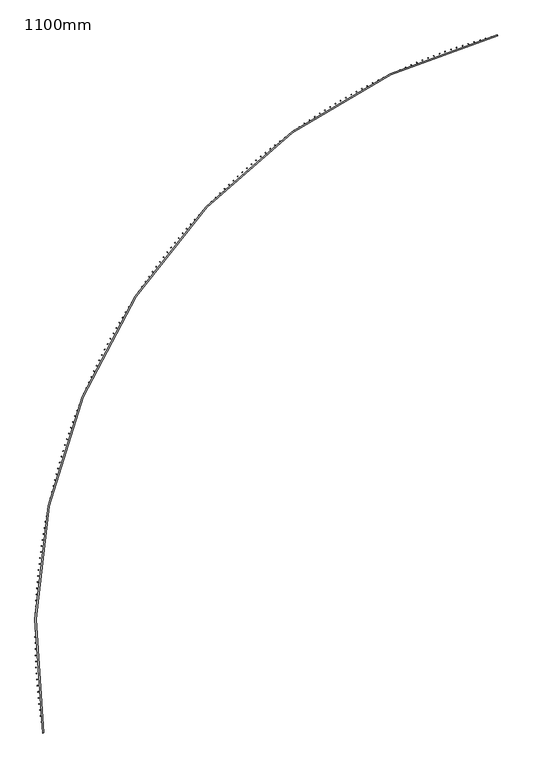
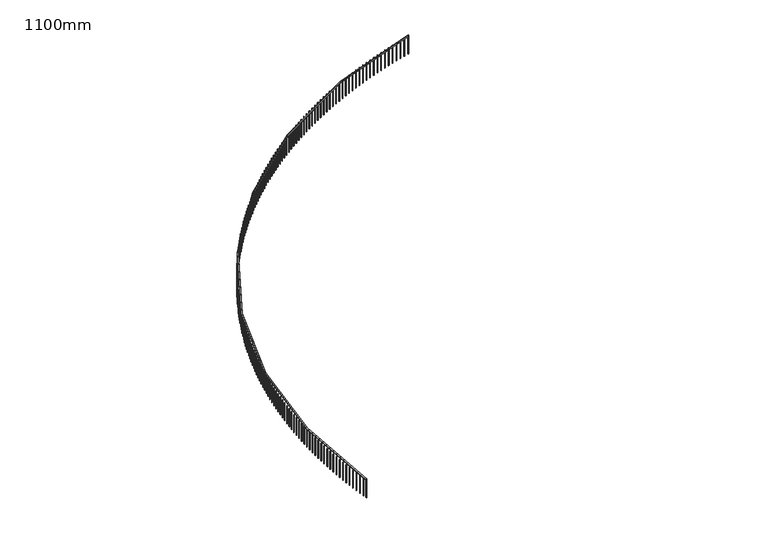
"""IFC4 building model written with IfcOpenShell, lengths in millimetres: railing geometry, 1100mm."""

from ifc_helpers import new_model, si_unit, point, frame, frame_2d, origin, place, context, project, spatial, polyline, circle_curve, trimmed, segment, composite_curve, outline, extrude, source, transform, mapped, element, save


def railing_1100mm_b874fabe(model_context):
    return source(origin(), model_context, "Body", "SweptSolid", [
        extrude(outline(composite_curve([segment(trimmed(circle_curve(frame_2d((-8776.2169486, -53857.0322819)), 27971.5412014), [point((-36394.0287338, -58291.3968787))], [point((-15853.428822, -26795.6171438))], False, "CARTESIAN"), True, "CONTINUOUS"), segment(polyline([(-15853.428822, -26795.6171438), (-15840.7780857, -26843.9902651)]), True, "CONTINUOUS"), segment(trimmed(circle_curve(frame_2d((-8776.2169486, -53857.0322819)), 27921.5412014), [point((-15840.7780857, -26843.9902651))], [point((-36344.6610361, -58283.4703141))], True, "CARTESIAN"), True, "CONTINUOUS"), segment(polyline([(-36344.6610361, -58283.4703141), (-36394.0287338, -58291.3968787)]), True, "CONTINUOUS")], self_intersect=False)), frame((0.0, 0.0, 32050.0), z_axis=(0.0, 0.0, 1.0), x_axis=(1.0, 0.0, 0.0)), (0.0, 0.0, 1.0), 50.0),
        extrude(outline(polyline([(-36418.1953524, -58055.742926), (-36393.4805423, -58051.9775357), (-36389.7151521, -58076.6923458), (-36414.4299622, -58080.4577361), (-36418.1953524, -58055.742926)])), frame((0.0, 0.0, 31000.0), z_axis=(0.0, 0.0, 1.0), x_axis=(1.0, 0.0, 0.0)), (0.0, 0.0, 1.0), 1050.0),
        extrude(outline(polyline([(-36458.1726315, -57783.5410007), (-36433.4219663, -57780.0189879), (-36429.8999535, -57804.7696531), (-36454.6506187, -57808.2916659), (-36458.1726315, -57783.5410007)])), frame((0.0, 0.0, 31000.0), z_axis=(0.0, 0.0, 1.0), x_axis=(1.0, 0.0, 0.0)), (0.0, 0.0, 1.0), 1050.0),
        extrude(outline(polyline([(-36495.4694926, -57510.9588753), (-36470.685369, -57507.6805809), (-36467.4070746, -57532.4647046), (-36492.1911983, -57535.7429989), (-36495.4694926, -57510.9588753)])), frame((0.0, 0.0, 31000.0), z_axis=(0.0, 0.0, 1.0), x_axis=(1.0, 0.0, 0.0)), (0.0, 0.0, 1.0), 1050.0),
        extrude(outline(polyline([(-36530.0823244, -57238.0229435), (-36505.267142, -57234.9886851), (-36502.2328836, -57259.8038674), (-36527.0480659, -57262.8381258), (-36530.0823244, -57238.0229435)])), frame((0.0, 0.0, 31000.0), z_axis=(0.0, 0.0, 1.0), x_axis=(1.0, 0.0, 0.0)), (0.0, 0.0, 1.0), 1050.0),
        extrude(outline(polyline([(-36562.0077752, -56964.7596335), (-36537.1639369, -56961.9697048), (-36534.3740082, -56986.8135431), (-36559.2178464, -56989.6034718), (-36562.0077752, -56964.7596335)])), frame((0.0, 0.0, 31000.0), z_axis=(0.0, 0.0, 1.0), x_axis=(1.0, 0.0, 0.0)), (0.0, 0.0, 1.0), 1050.0),
        extrude(outline(polyline([(-36591.2427537, -56691.1954053), (-36566.3726652, -56688.6500764), (-36563.8273364, -56713.5201649), (-36588.6974249, -56716.0654937), (-36591.2427537, -56691.1954053)])), frame((0.0, 0.0, 31000.0), z_axis=(0.0, 0.0, 1.0), x_axis=(1.0, 0.0, 0.0)), (0.0, 0.0, 1.0), 1050.0),
        extrude(outline(polyline([(-36617.7844292, -56417.3567476), (-36592.8904987, -56415.0562651), (-36590.5900161, -56439.9501957), (-36615.4839467, -56442.2506782), (-36617.7844292, -56417.3567476)])), frame((0.0, 0.0, 31000.0), z_axis=(0.0, 0.0, 1.0), x_axis=(1.0, 0.0, 0.0)), (0.0, 0.0, 1.0), 1050.0),
        extrude(outline(polyline([(-36641.6302317, -56143.2701761), (-36616.7148695, -56141.2147626), (-36614.659456, -56166.1301249), (-36639.5748183, -56168.1855383), (-36641.6302317, -56143.2701761)])), frame((0.0, 0.0, 31000.0), z_axis=(0.0, 0.0, 1.0), x_axis=(1.0, 0.0, 0.0)), (0.0, 0.0, 1.0), 1050.0),
        extrude(outline(polyline([(-36662.7778522, -55868.9622303), (-36637.8434709, -55867.152085), (-36636.0333255, -55892.0864663), (-36660.9677069, -55893.8966117), (-36662.7778522, -55868.9622303)])), frame((0.0, 0.0, 31000.0), z_axis=(0.0, 0.0, 1.0), x_axis=(1.0, 0.0, 0.0)), (0.0, 0.0, 1.0), 1050.0),
        extrude(outline(polyline([(-36681.225243, -55594.4594712), (-36656.2742569, -55592.8947693), (-36654.7095549, -55617.8457554), (-36679.660541, -55619.4104573), (-36681.225243, -55594.4594712)])), frame((0.0, 0.0, 31000.0), z_axis=(0.0, 0.0, 1.0), x_axis=(1.0, 0.0, 0.0)), (0.0, 0.0, 1.0), 1050.0),
        extrude(outline(polyline([(-36696.9706178, -55319.7884787), (-36672.005443, -55318.4693716), (-36670.6863359, -55343.4345465), (-36695.6515107, -55344.7536536), (-36696.9706178, -55319.7884787)])), frame((0.0, 0.0, 31000.0), z_axis=(0.0, 0.0, 1.0), x_axis=(1.0, 0.0, 0.0)), (0.0, 0.0, 1.0), 1050.0),
        extrude(outline(polyline([(-36710.0124521, -55044.9758488), (-36685.0355058, -55043.9024644), (-36683.9621213, -55068.8794106), (-36708.9390676, -55069.9527951), (-36710.0124521, -55044.9758488)])), frame((0.0, 0.0, 31000.0), z_axis=(0.0, 0.0, 1.0), x_axis=(1.0, 0.0, 0.0)), (0.0, 0.0, 1.0), 1050.0),
        extrude(outline(polyline([(-36720.349483, -54770.0481915), (-36695.3631838, -54769.2206336), (-36694.5356258, -54794.2069328), (-36719.521925, -54795.0344907), (-36720.349483, -54770.0481915)])), frame((0.0, 0.0, 31000.0), z_axis=(0.0, 0.0, 1.0), x_axis=(1.0, 0.0, 0.0)), (0.0, 0.0, 1.0), 1050.0),
        extrude(outline(polyline([(-36727.9807095, -54495.0321277), (-36702.9874768, -54494.4504765), (-36702.4058255, -54519.4437092), (-36727.3990583, -54520.0253604), (-36727.9807095, -54495.0321277)])), frame((0.0, 0.0, 31000.0), z_axis=(0.0, 0.0, 1.0), x_axis=(1.0, 0.0, 0.0)), (0.0, 0.0, 1.0), 1050.0),
        extrude(outline(polyline([(-36732.9053928, -54219.954287), (-36707.9076467, -54219.6185987), (-36707.5719584, -54244.6163449), (-36732.5697046, -54244.9520331), (-36732.9053928, -54219.954287)])), frame((0.0, 0.0, 31000.0), z_axis=(0.0, 0.0, 1.0), x_axis=(1.0, 0.0, 0.0)), (0.0, 0.0, 1.0), 1050.0),
        extrude(outline(polyline([(-36735.123056, -53944.8413048), (-36710.1232169, -53944.7516121), (-36710.0335242, -53969.7514512), (-36735.0333633, -53969.8411439), (-36735.123056, -53944.8413048)])), frame((0.0, 0.0, 31000.0), z_axis=(0.0, 0.0, 1.0), x_axis=(1.0, 0.0, 0.0)), (0.0, 0.0, 1.0), 1050.0),
        extrude(outline(polyline([(-36734.6334844, -53669.7198202), (-36709.6339731, -53669.8761317), (-36709.7902845, -53694.875643), (-36734.7897959, -53694.7193316), (-36734.6334844, -53669.7198202)])), frame((0.0, 0.0, 31000.0), z_axis=(0.0, 0.0, 1.0), x_axis=(1.0, 0.0, 0.0)), (0.0, 0.0, 1.0), 1050.0),
        extrude(outline(polyline([(-36731.4367254, -53394.6164729), (-36706.4399625, -53395.0187734), (-36706.842263, -53420.0155363), (-36731.8390259, -53419.6132358), (-36731.4367254, -53394.6164729)])), frame((0.0, 0.0, 31000.0), z_axis=(0.0, 0.0, 1.0), x_axis=(1.0, 0.0, 0.0)), (0.0, 0.0, 1.0), 1050.0),
        extrude(outline(polyline([(-36725.5330885, -53119.5579009), (-36700.5414945, -53120.2061515), (-36701.189745, -53145.1977455), (-36726.181339, -53144.5494949), (-36725.5330885, -53119.5579009)])), frame((0.0, 0.0, 31000.0), z_axis=(0.0, 0.0, 1.0), x_axis=(1.0, 0.0, 0.0)), (0.0, 0.0, 1.0), 1050.0),
        extrude(outline(polyline([(-36716.9231453, -52844.5707378), (-36691.9391401, -52845.4648758), (-36692.833278, -52870.448881), (-36717.8172832, -52869.5547431), (-36716.9231453, -52844.5707378)])), frame((0.0, 0.0, 31000.0), z_axis=(0.0, 0.0, 1.0), x_axis=(1.0, 0.0, 0.0)), (0.0, 0.0, 1.0), 1050.0),
        extrude(outline(polyline([(-36705.6077296, -52569.6816105), (-36680.6337323, -52570.8215491), (-36681.773671, -52595.7955464), (-36706.7476683, -52594.6556078), (-36705.6077296, -52569.6816105)])), frame((0.0, 0.0, 31000.0), z_axis=(0.0, 0.0, 1.0), x_axis=(1.0, 0.0, 0.0)), (0.0, 0.0, 1.0), 1050.0),
        extrude(outline(polyline([(-36691.587937, -52294.9171361), (-36666.6263659, -52296.3027651), (-36668.0119949, -52321.2643362), (-36692.973566, -52319.8787072), (-36691.587937, -52294.9171361)])), frame((0.0, 0.0, 31000.0), z_axis=(0.0, 0.0, 1.0), x_axis=(1.0, 0.0, 0.0)), (0.0, 0.0, 1.0), 1050.0),
        extrude(outline(polyline([(-36674.865125, -52020.3039199), (-36649.9183971, -52021.9351051), (-36651.5495823, -52046.881833), (-36676.4963103, -52045.2506478), (-36674.865125, -52020.3039199)])), frame((0.0, 0.0, 31000.0), z_axis=(0.0, 0.0, 1.0), x_axis=(1.0, 0.0, 0.0)), (0.0, 0.0, 1.0), 1050.0),
        extrude(outline(polyline([(-36655.440913, -51745.8685523), (-36630.5114438, -51747.7451358), (-36632.3880273, -51772.674605), (-36657.3174965, -51770.7980215), (-36655.440913, -51745.8685523)])), frame((0.0, 0.0, 31000.0), z_axis=(0.0, 0.0, 1.0), x_axis=(1.0, 0.0, 0.0)), (0.0, 0.0, 1.0), 1050.0),
        extrude(outline(polyline([(-36633.3171816, -51471.6376068), (-36608.4073851, -51473.7594068), (-36610.5291851, -51498.6692034), (-36635.4389817, -51496.5474034), (-36633.3171816, -51471.6376068)])), frame((0.0, 0.0, 31000.0), z_axis=(0.0, 0.0, 1.0), x_axis=(1.0, 0.0, 0.0)), (0.0, 0.0, 1.0), 1050.0),
        extrude(outline(polyline([(-36608.4960732, -51197.6376368), (-36583.6083613, -51200.004448), (-36585.9751724, -51224.8921599), (-36610.8628843, -51222.5253488), (-36608.4960732, -51197.6376368)])), frame((0.0, 0.0, 31000.0), z_axis=(0.0, 0.0, 1.0), x_axis=(1.0, 0.0, 0.0)), (0.0, 0.0, 1.0), 1050.0),
        extrude(outline(polyline([(-36580.9799912, -50923.8951736), (-36556.1167737, -50926.5067666), (-36558.7283668, -50951.3699841), (-36583.5915842, -50948.758391), (-36580.9799912, -50923.8951736)])), frame((0.0, 0.0, 31000.0), z_axis=(0.0, 0.0, 1.0), x_axis=(1.0, 0.0, 0.0)), (0.0, 0.0, 1.0), 1050.0),
        extrude(outline(polyline([(-36550.7715998, -50650.4367232), (-36525.9352843, -50653.2928453), (-36528.7914064, -50678.1291608), (-36553.6277219, -50675.2730387), (-36550.7715998, -50650.4367232)])), frame((0.0, 0.0, 31000.0), z_axis=(0.0, 0.0, 1.0), x_axis=(1.0, 0.0, 0.0)), (0.0, 0.0, 1.0), 1050.0),
        extrude(outline(polyline([(-36517.8738242, -50377.2887645), (-36493.0668155, -50380.3891391), (-36496.1671901, -50405.1961478), (-36520.9741988, -50402.0957732), (-36517.8738242, -50377.2887645)])), frame((0.0, 0.0, 31000.0), z_axis=(0.0, 0.0, 1.0), x_axis=(1.0, 0.0, 0.0)), (0.0, 0.0, 1.0), 1050.0),
        extrude(outline(polyline([(-36482.2898498, -50104.4777462), (-36457.51455, -50107.822073), (-36460.8588769, -50132.5973728), (-36485.6341766, -50129.2530459), (-36482.2898498, -50104.4777462)])), frame((0.0, 0.0, 31000.0), z_axis=(0.0, 0.0, 1.0), x_axis=(1.0, 0.0, 0.0)), (0.0, 0.0, 1.0), 1050.0),
        extrude(outline(polyline([(-36444.0231222, -49832.0300842), (-36419.2819303, -49835.6180395), (-36422.8698856, -49860.3592314), (-36447.6110775, -49856.7712761), (-36444.0231222, -49832.0300842)])), frame((0.0, 0.0, 31000.0), z_axis=(0.0, 0.0, 1.0), x_axis=(1.0, 0.0, 0.0)), (0.0, 0.0, 1.0), 1050.0),
        extrude(outline(polyline([(-36403.0773466, -49559.9721594), (-36378.3726583, -49563.8033957), (-36382.2038946, -49588.5080841), (-36406.908583, -49584.6768478), (-36403.0773466, -49559.9721594)])), frame((0.0, 0.0, 31000.0), z_axis=(0.0, 0.0, 1.0), x_axis=(1.0, 0.0, 0.0)), (0.0, 0.0, 1.0), 1050.0),
        extrude(outline(polyline([(-36359.456488, -49288.330315), (-36334.7906952, -49292.4044614), (-36338.8648416, -49317.0702541), (-36363.5306344, -49312.9961077), (-36359.456488, -49288.330315)])), frame((0.0, 0.0, 31000.0), z_axis=(0.0, 0.0, 1.0), x_axis=(1.0, 0.0, 0.0)), (0.0, 0.0, 1.0), 1050.0),
        extrude(outline(polyline([(-36313.1647699, -49017.1308537), (-36288.5402612, -49021.4475156), (-36292.8569232, -49046.0720243), (-36317.4814319, -49041.7553624), (-36313.1647699, -49017.1308537)])), frame((0.0, 0.0, 31000.0), z_axis=(0.0, 0.0, 1.0), x_axis=(1.0, 0.0, 0.0)), (0.0, 0.0, 1.0), 1050.0),
        extrude(outline(polyline([(-36264.2066749, -48746.4000355), (-36239.6258345, -48750.958795), (-36244.1845941, -48775.5396354), (-36268.7654344, -48770.9808758), (-36264.2066749, -48746.4000355)])), frame((0.0, 0.0, 31000.0), z_axis=(0.0, 0.0, 1.0), x_axis=(1.0, 0.0, 0.0)), (0.0, 0.0, 1.0), 1050.0),
        extrude(outline(polyline([(-36212.5869434, -48476.1640751), (-36188.0521516, -48480.9644908), (-36192.8525673, -48505.4992826), (-36217.3873591, -48500.6988669), (-36212.5869434, -48476.1640751)])), frame((0.0, 0.0, 31000.0), z_axis=(0.0, 0.0, 1.0), x_axis=(1.0, 0.0, 0.0)), (0.0, 0.0, 1.0), 1050.0),
        extrude(outline(polyline([(-36158.3105737, -48206.4491392), (-36133.8242061, -48211.4907462), (-36138.8658132, -48235.9771138), (-36163.3521808, -48230.9355068), (-36158.3105737, -48206.4491392)])), frame((0.0, 0.0, 31000.0), z_axis=(0.0, 0.0, 1.0), x_axis=(1.0, 0.0, 0.0)), (0.0, 0.0, 1.0), 1050.0),
        extrude(outline(polyline([(-36101.3828215, -47937.2813439), (-36076.9472491, -47942.5636541), (-36082.2295593, -47966.9992265), (-36106.6651317, -47961.7169163), (-36101.3828215, -47937.2813439)])), frame((0.0, 0.0, 31000.0), z_axis=(0.0, 0.0, 1.0), x_axis=(1.0, 0.0, 0.0)), (0.0, 0.0, 1.0), 1050.0),
        extrude(outline(polyline([(-36041.8091989, -47668.6867527), (-36017.4267878, -47674.2092546), (-36022.9492897, -47698.5916657), (-36047.3317008, -47693.0691638), (-36041.8091989, -47668.6867527)])), frame((0.0, 0.0, 31000.0), z_axis=(0.0, 0.0, 1.0), x_axis=(1.0, 0.0, 0.0)), (0.0, 0.0, 1.0), 1050.0),
        extrude(outline(polyline([(-35979.5954744, -47400.6913731), (-35955.2685855, -47406.453532), (-35961.0307443, -47430.7804209), (-35985.3576333, -47425.0182621), (-35979.5954744, -47400.6913731)])), frame((0.0, 0.0, 31000.0), z_axis=(0.0, 0.0, 1.0), x_axis=(1.0, 0.0, 0.0)), (0.0, 0.0, 1.0), 1050.0),
        extrude(outline(polyline([(-35914.7476721, -47133.3211551), (-35890.4786609, -47139.3224129), (-35896.4799188, -47163.5914241), (-35920.74893, -47157.5901662), (-35914.7476721, -47133.3211551)])), frame((0.0, 0.0, 31000.0), z_axis=(0.0, 0.0, 1.0), x_axis=(1.0, 0.0, 0.0)), (0.0, 0.0, 1.0), 1050.0),
        extrude(outline(polyline([(-35847.2720712, -46866.6019877), (-35823.0632877, -46872.8417634), (-35829.3030635, -46897.0505469), (-35853.511847, -46890.8107712), (-35847.2720712, -46866.6019877)])), frame((0.0, 0.0, 31000.0), z_axis=(0.0, 0.0, 1.0), x_axis=(1.0, 0.0, 0.0)), (0.0, 0.0, 1.0), 1050.0),
        extrude(outline(polyline([(-35777.1752052, -46600.5596971), (-35753.0289935, -46607.0373866), (-35759.506683, -46631.1835983), (-35783.6528947, -46624.7059088), (-35777.1752052, -46600.5596971)])), frame((0.0, 0.0, 31000.0), z_axis=(0.0, 0.0, 1.0), x_axis=(1.0, 0.0, 0.0)), (0.0, 0.0, 1.0), 1050.0),
        extrude(outline(polyline([(-35704.4638616, -46335.2200441), (-35680.3825598, -46341.9350201), (-35687.0975358, -46366.0163219), (-35711.1788376, -46359.3013459), (-35704.4638616, -46335.2200441)])), frame((0.0, 0.0, 31000.0), z_axis=(0.0, 0.0, 1.0), x_axis=(1.0, 0.0, 0.0)), (0.0, 0.0, 1.0), 1050.0),
        extrude(outline(polyline([(-35629.1450809, -46070.6087211), (-35605.1310208, -46077.5603334), (-35612.082633, -46101.5743936), (-35636.0966932, -46094.6227813), (-35629.1450809, -46070.6087211)])), frame((0.0, 0.0, 31000.0), z_axis=(0.0, 0.0, 1.0), x_axis=(1.0, 0.0, 0.0)), (0.0, 0.0, 1.0), 1050.0),
        extrude(outline(polyline([(-35551.2261563, -45806.7513503), (-35527.281663, -45813.9389257), (-35534.4692384, -45837.883419), (-35558.4137317, -45830.6958436), (-35551.2261563, -45806.7513503)])), frame((0.0, 0.0, 31000.0), z_axis=(0.0, 0.0, 1.0), x_axis=(1.0, 0.0, 0.0)), (0.0, 0.0, 1.0), 1050.0),
        extrude(outline(polyline([(-35470.7146324, -45543.6734806), (-35446.8420245, -45551.0963232), (-35454.2648671, -45574.9689311), (-35478.137475, -45567.5460885), (-35470.7146324, -45543.6734806)])), frame((0.0, 0.0, 31000.0), z_axis=(0.0, 0.0, 1.0), x_axis=(1.0, 0.0, 0.0)), (0.0, 0.0, 1.0), 1050.0),
        extrude(outline(polyline([(-35387.6183052, -45281.4005858), (-35363.8198943, -45289.0579768), (-35371.4772853, -45312.8563878), (-35395.2756963, -45305.1989967), (-35387.6183052, -45281.4005858)])), frame((0.0, 0.0, 31000.0), z_axis=(0.0, 0.0, 1.0), x_axis=(1.0, 0.0, 0.0)), (0.0, 0.0, 1.0), 1050.0),
        extrude(outline(polyline([(-35301.9452208, -45019.9580614), (-35278.2233112, -45027.8492594), (-35286.1145093, -45051.571169), (-35309.8364188, -45043.6799709), (-35301.9452208, -45019.9580614)])), frame((0.0, 0.0, 31000.0), z_axis=(0.0, 0.0, 1.0), x_axis=(1.0, 0.0, 0.0)), (0.0, 0.0, 1.0), 1050.0),
        extrude(outline(polyline([(-35213.7036748, -44759.3712226), (-35190.0605636, -44767.4954635), (-35198.1848045, -44791.1385748), (-35221.8279158, -44783.0143338), (-35213.7036748, -44759.3712226)])), frame((0.0, 0.0, 31000.0), z_axis=(0.0, 0.0, 1.0), x_axis=(1.0, 0.0, 0.0)), (0.0, 0.0, 1.0), 1050.0),
        extrude(outline(polyline([(-35122.9022117, -44499.6653019), (-35099.3401881, -44508.0217991), (-35107.6966853, -44531.5838226), (-35131.2587088, -44523.2273254), (-35122.9022117, -44499.6653019)])), frame((0.0, 0.0, 31000.0), z_axis=(0.0, 0.0, 1.0), x_axis=(1.0, 0.0, 0.0)), (0.0, 0.0, 1.0), 1050.0),
        extrude(outline(polyline([(-35029.5496235, -44240.8654463), (-35006.0709691, -44249.4533906), (-35014.6589133, -44272.932045), (-35038.1375678, -44264.3441007), (-35029.5496235, -44240.8654463)])), frame((0.0, 0.0, 31000.0), z_axis=(0.0, 0.0, 1.0), x_axis=(1.0, 0.0, 0.0)), (0.0, 0.0, 1.0), 1050.0),
        extrude(outline(polyline([(-34933.6549496, -43982.9967152), (-34910.2619378, -43991.815275), (-34919.0804975, -44015.2082868), (-34942.4735094, -44006.389727), (-34933.6549496, -43982.9967152)])), frame((0.0, 0.0, 31000.0), z_axis=(0.0, 0.0, 1.0), x_axis=(1.0, 0.0, 0.0)), (0.0, 0.0, 1.0), 1050.0),
        extrude(outline(polyline([(-34835.2274753, -43726.0840777), (-34811.9223712, -43735.1323991), (-34820.9706926, -43758.4375033), (-34844.2757968, -43749.3891819), (-34835.2274753, -43726.0840777)])), frame((0.0, 0.0, 31000.0), z_axis=(0.0, 0.0, 1.0), x_axis=(1.0, 0.0, 0.0)), (0.0, 0.0, 1.0), 1050.0),
        extrude(outline(polyline([(-34734.2767314, -43470.1524105), (-34711.0617915, -43479.4296174), (-34720.3389984, -43502.6445573), (-34743.5539383, -43493.3673504), (-34734.2767314, -43470.1524105)])), frame((0.0, 0.0, 31000.0), z_axis=(0.0, 0.0, 1.0), x_axis=(1.0, 0.0, 0.0)), (0.0, 0.0, 1.0), 1050.0),
        extrude(outline(polyline([(-34630.8124927, -43215.2264953), (-34607.689965, -43224.7316893), (-34617.1951591, -43247.854217), (-34640.3176868, -43238.3490229), (-34630.8124927, -43215.2264953)])), frame((0.0, 0.0, 31000.0), z_axis=(0.0, 0.0, 1.0), x_axis=(1.0, 0.0, 0.0)), (0.0, 0.0, 1.0), 1050.0),
        extrude(outline(polyline([(-34524.8447776, -42961.3310161), (-34501.8169011, -42971.063277), (-34511.5491619, -42994.0911535), (-34534.5770385, -42984.3588927), (-34524.8447776, -42961.3310161)])), frame((0.0, 0.0, 31000.0), z_axis=(0.0, 0.0, 1.0), x_axis=(1.0, 0.0, 0.0)), (0.0, 0.0, 1.0), 1050.0),
        extrude(outline(polyline([(-34416.3838469, -42708.4905576), (-34393.4528512, -42718.4489429), (-34403.4112365, -42741.3799386), (-34426.3422322, -42731.4215532), (-34416.3838469, -42708.4905576)])), frame((0.0, 0.0, 31000.0), z_axis=(0.0, 0.0, 1.0), x_axis=(1.0, 0.0, 0.0)), (0.0, 0.0, 1.0), 1050.0),
        extrude(outline(polyline([(-34305.4402026, -42456.729602), (-34282.6083083, -42466.9131475), (-34292.7918538, -42489.7450418), (-34315.6237481, -42479.5614963), (-34305.4402026, -42456.729602)])), frame((0.0, 0.0, 31000.0), z_axis=(0.0, 0.0, 1.0), x_axis=(1.0, 0.0, 0.0)), (0.0, 0.0, 1.0), 1050.0),
        extrude(outline(polyline([(-34192.0245875, -42206.072527), (-34169.2940052, -42216.4802466), (-34179.7017248, -42239.2108289), (-34202.4323071, -42228.8031093), (-34192.0245875, -42206.072527)])), frame((0.0, 0.0, 31000.0), z_axis=(0.0, 0.0, 1.0), x_axis=(1.0, 0.0, 0.0)), (0.0, 0.0, 1.0), 1050.0),
        extrude(outline(polyline([(-34076.1479834, -41956.5436036), (-34053.5209142, -41967.1744896), (-34064.1518001, -41989.8015589), (-34086.7788694, -41979.1706729), (-34076.1479834, -41956.5436036)])), frame((0.0, 0.0, 31000.0), z_axis=(0.0, 0.0, 1.0), x_axis=(1.0, 0.0, 0.0)), (0.0, 0.0, 1.0), 1050.0),
        extrude(outline(polyline([(-33957.8216106, -41708.1669935), (-33935.3002453, -41719.0200164), (-33946.1532683, -41741.5413817), (-33968.6746335, -41730.6883588), (-33957.8216106, -41708.1669935)])), frame((0.0, 0.0, 31000.0), z_axis=(0.0, 0.0, 1.0), x_axis=(1.0, 0.0, 0.0)), (0.0, 0.0, 1.0), 1050.0),
        extrude(outline(polyline([(-33837.0569265, -41460.9667467), (-33814.6434459, -41472.0408557), (-33825.7175549, -41494.4543362), (-33848.1310355, -41483.3802272), (-33837.0569265, -41460.9667467)])), frame((0.0, 0.0, 31000.0), z_axis=(0.0, 0.0, 1.0), x_axis=(1.0, 0.0, 0.0)), (0.0, 0.0, 1.0), 1050.0),
        extrude(outline(polyline([(-33713.8656245, -41214.9667993), (-33691.562199, -41226.2609221), (-33702.8563218, -41248.5643476), (-33725.1597473, -41237.2702249), (-33713.8656245, -41214.9667993)])), frame((0.0, 0.0, 31000.0), z_axis=(0.0, 0.0, 1.0), x_axis=(1.0, 0.0, 0.0)), (0.0, 0.0, 1.0), 1050.0),
        extrude(outline(polyline([(-33588.2596333, -40970.1909714), (-33566.0684224, -40981.7040144), (-33577.5814654, -41003.8952253), (-33599.7726763, -40992.3821823), (-33588.2596333, -40970.1909714)])), frame((0.0, 0.0, 31000.0), z_axis=(0.0, 0.0, 1.0), x_axis=(1.0, 0.0, 0.0)), (0.0, 0.0, 1.0), 1050.0),
        extrude(outline(polyline([(-33460.2511151, -40726.6629643), (-33438.1742676, -40738.3938127), (-33449.9051159, -40760.4706602), (-33471.9819634, -40748.7398118), (-33460.2511151, -40726.6629643)])), frame((0.0, 0.0, 31000.0), z_axis=(0.0, 0.0, 1.0), x_axis=(1.0, 0.0, 0.0)), (0.0, 0.0, 1.0), 1050.0),
        extrude(outline(polyline([(-33329.8524649, -40484.4063586), (-33307.8921184, -40496.3538765), (-33319.8396362, -40518.314223), (-33341.7999827, -40506.3667051), (-33329.8524649, -40484.4063586)])), frame((0.0, 0.0, 31000.0), z_axis=(0.0, 0.0, 1.0), x_axis=(1.0, 0.0, 0.0)), (0.0, 0.0, 1.0), 1050.0),
        extrude(outline(polyline([(-33197.076309, -40243.4446119), (-33175.23459, -40255.6076424), (-33187.3976205, -40277.4493614), (-33209.2393395, -40265.2863309), (-33197.076309, -40243.4446119)])), frame((0.0, 0.0, 31000.0), z_axis=(0.0, 0.0, 1.0), x_axis=(1.0, 0.0, 0.0)), (0.0, 0.0, 1.0), 1050.0),
        extrude(outline(polyline([(-33061.9355041, -40003.8010561), (-33040.2145274, -40016.1784215), (-33052.5918928, -40037.8993982), (-33074.3128694, -40025.5220328), (-33061.9355041, -40003.8010561)])), frame((0.0, 0.0, 31000.0), z_axis=(0.0, 0.0, 1.0), x_axis=(1.0, 0.0, 0.0)), (0.0, 0.0, 1.0), 1050.0),
        extrude(outline(polyline([(-32924.4431356, -39765.4988959), (-32902.8450046, -39778.0893976), (-32915.4355063, -39799.6875287), (-32937.0336374, -39787.0970269), (-32924.4431356, -39765.4988959)])), frame((0.0, 0.0, 31000.0), z_axis=(0.0, 0.0, 1.0), x_axis=(1.0, 0.0, 0.0)), (0.0, 0.0, 1.0), 1050.0),
        extrude(outline(polyline([(-32784.6125169, -39528.5612056), (-32763.1393228, -39541.3636247), (-32775.9417419, -39562.8368188), (-32797.414936, -39550.0343998), (-32784.6125169, -39528.5612056)])), frame((0.0, 0.0, 31000.0), z_axis=(0.0, 0.0, 1.0), x_axis=(1.0, 0.0, 0.0)), (0.0, 0.0, 1.0), 1050.0),
        extrude(outline(polyline([(-32642.4571877, -39293.0109279), (-32621.1110097, -39306.0240246), (-32634.1241064, -39327.3702026), (-32655.4702844, -39314.3571059), (-32642.4571877, -39293.0109279)])), frame((0.0, 0.0, 31000.0), z_axis=(0.0, 0.0, 1.0), x_axis=(1.0, 0.0, 0.0)), (0.0, 0.0, 1.0), 1050.0),
        extrude(outline(polyline([(-32497.9909126, -39058.8708708), (-32476.7738177, -39072.0933851), (-32489.996332, -39093.31048), (-32511.2134269, -39080.0879657), (-32497.9909126, -39058.8708708)])), frame((0.0, 0.0, 31000.0), z_axis=(0.0, 0.0, 1.0), x_axis=(1.0, 0.0, 0.0)), (0.0, 0.0, 1.0), 1050.0),
        extrude(outline(polyline([(-32351.2276803, -38826.1637059), (-32330.1417229, -38839.5943574), (-32343.5723745, -38860.6803148), (-32364.6583318, -38847.2496633), (-32351.2276803, -38826.1637059)])), frame((0.0, 0.0, 31000.0), z_axis=(0.0, 0.0, 1.0), x_axis=(1.0, 0.0, 0.0)), (0.0, 0.0, 1.0), 1050.0),
        extrude(outline(polyline([(-32202.1817017, -38594.911966), (-32181.2289235, -38608.5494543), (-32194.8664118, -38629.5022324), (-32215.81919, -38615.8647441), (-32202.1817017, -38594.911966)])), frame((0.0, 0.0, 31000.0), z_axis=(0.0, 0.0, 1.0), x_axis=(1.0, 0.0, 0.0)), (0.0, 0.0, 1.0), 1050.0),
        extrude(outline(polyline([(-32050.8674087, -38365.1380429), (-32030.0498386, -38378.9810475), (-32043.8928432, -38399.7986176), (-32064.7104133, -38385.955613), (-32050.8674087, -38365.1380429)])), frame((0.0, 0.0, 31000.0), z_axis=(0.0, 0.0, 1.0), x_axis=(1.0, 0.0, 0.0)), (0.0, 0.0, 1.0), 1050.0),
        extrude(outline(polyline([(-31897.2994529, -38136.8641856), (-31876.6191067, -38150.9113661), (-31890.6662872, -38171.5917123), (-31911.3466334, -38157.5445318), (-31897.2994529, -38136.8641856)])), frame((0.0, 0.0, 31000.0), z_axis=(0.0, 0.0, 1.0), x_axis=(1.0, 0.0, 0.0)), (0.0, 0.0, 1.0), 1050.0),
        extrude(outline(polyline([(-31741.4927044, -37910.1124975), (-31720.9515844, -37924.3624937), (-31735.2015806, -37944.9036136), (-31755.7427005, -37930.6536174), (-31741.4927044, -37910.1124975)])), frame((0.0, 0.0, 31000.0), z_axis=(0.0, 0.0, 1.0), x_axis=(1.0, 0.0, 0.0)), (0.0, 0.0, 1.0), 1050.0),
        extrude(outline(polyline([(-31583.4622495, -37684.9049347), (-31563.0623448, -37699.3563668), (-31577.5137769, -37719.7562715), (-31597.9136816, -37705.3048394), (-31583.4622495, -37684.9049347)])), frame((0.0, 0.0, 31000.0), z_axis=(0.0, 0.0, 1.0), x_axis=(1.0, 0.0, 0.0)), (0.0, 0.0, 1.0), 1050.0),
        extrude(outline(polyline([(-31423.2233904, -37461.263304), (-31402.9666763, -37475.9147727), (-31417.6181449, -37496.1714868), (-31437.874859, -37481.5200181), (-31423.2233904, -37461.263304)])), frame((0.0, 0.0, 31000.0), z_axis=(0.0, 0.0, 1.0), x_axis=(1.0, 0.0, 0.0)), (0.0, 0.0, 1.0), 1050.0),
        extrude(outline(polyline([(-31260.7916427, -37239.2092603), (-31240.6800806, -37254.0593469), (-31255.5301671, -37274.170909), (-31275.6417292, -37259.3208224), (-31260.7916427, -37239.2092603)])), frame((0.0, 0.0, 31000.0), z_axis=(0.0, 0.0, 1.0), x_axis=(1.0, 0.0, 0.0)), (0.0, 0.0, 1.0), 1050.0),
        extrude(outline(polyline([(-31096.1827346, -37018.764305), (-31076.2182719, -37033.8115715), (-31091.2655383, -37053.7760342), (-31111.2300011, -37038.7287677), (-31096.1827346, -37018.764305)])), frame((0.0, 0.0, 31000.0), z_axis=(0.0, 0.0, 1.0), x_axis=(1.0, 0.0, 0.0)), (0.0, 0.0, 1.0), 1050.0),
        extrude(outline(polyline([(-30929.412605, -36799.9497834), (-30909.5971748, -36815.1927729), (-30924.8401642, -36835.008203), (-30944.6555944, -36819.7652136), (-30929.412605, -36799.9497834)])), frame((0.0, 0.0, 31000.0), z_axis=(0.0, 0.0, 1.0), x_axis=(1.0, 0.0, 0.0)), (0.0, 0.0, 1.0), 1050.0),
        extrude(outline(polyline([(-30760.4974021, -36582.7868833), (-30740.8329231, -36598.2241197), (-30756.2701596, -36617.8885986), (-30775.9346385, -36602.4513622), (-30760.4974021, -36582.7868833)])), frame((0.0, 0.0, 31000.0), z_axis=(0.0, 0.0, 1.0), x_axis=(1.0, 0.0, 0.0)), (0.0, 0.0, 1.0), 1050.0),
        extrude(outline(polyline([(-30589.4534818, -36367.2966322), (-30569.9418582, -36382.9266208), (-30585.5718468, -36402.4382444), (-30605.0834704, -36386.8082558), (-30589.4534818, -36367.2966322)])), frame((0.0, 0.0, 31000.0), z_axis=(0.0, 0.0, 1.0), x_axis=(1.0, 0.0, 0.0)), (0.0, 0.0, 1.0), 1050.0),
        extrude(outline(polyline([(-30416.2974061, -36153.499896), (-30396.9405272, -36169.3211234), (-30412.7617546, -36188.6780023), (-30432.1186335, -36172.8567749), (-30416.2974061, -36153.499896)])), frame((0.0, 0.0, 31000.0), z_axis=(0.0, 0.0, 1.0), x_axis=(1.0, 0.0, 0.0)), (0.0, 0.0, 1.0), 1050.0),
        extrude(outline(polyline([(-30241.0459417, -35941.4173762), (-30221.8456816, -35957.4283105), (-30237.8566158, -35976.6285705), (-30257.0568759, -35960.6176363), (-30241.0459417, -35941.4173762)])), frame((0.0, 0.0, 31000.0), z_axis=(0.0, 0.0, 1.0), x_axis=(1.0, 0.0, 0.0)), (0.0, 0.0, 1.0), 1050.0),
        extrude(outline(polyline([(-30063.7160578, -35731.0696088), (-30044.6742758, -35747.2686995), (-30060.8733665, -35766.3104815), (-30079.9151485, -35750.1113908), (-30063.7160578, -35731.0696088)])), frame((0.0, 0.0, 31000.0), z_axis=(0.0, 0.0, 1.0), x_axis=(1.0, 0.0, 0.0)), (0.0, 0.0, 1.0), 1050.0),
        extrude(outline(polyline([(-29884.3249252, -35522.4769615), (-29865.4434651, -35538.8626402), (-29881.8291438, -35557.7441002), (-29900.7106039, -35541.3584216), (-29884.3249252, -35522.4769615)])), frame((0.0, 0.0, 31000.0), z_axis=(0.0, 0.0, 1.0), x_axis=(1.0, 0.0, 0.0)), (0.0, 0.0, 1.0), 1050.0),
        extrude(outline(polyline([(-29702.8899142, -35315.6596321), (-29684.1706043, -35332.2303121), (-29700.7412843, -35350.949622), (-29719.4605942, -35334.378942), (-29702.8899142, -35315.6596321)])), frame((0.0, 0.0, 31000.0), z_axis=(0.0, 0.0, 1.0), x_axis=(1.0, 0.0, 0.0)), (0.0, 0.0, 1.0), 1050.0),
        extrude(outline(polyline([(-29519.428593, -35110.6376465), (-29500.8732457, -35127.3917233), (-29517.6273226, -35145.9470705), (-29536.1826698, -35129.1929937), (-29519.428593, -35110.6376465)])), frame((0.0, 0.0, 31000.0), z_axis=(0.0, 0.0, 1.0), x_axis=(1.0, 0.0, 0.0)), (0.0, 0.0, 1.0), 1050.0),
        extrude(outline(polyline([(-29333.9587258, -34907.4308568), (-29315.5691381, -34924.3667082), (-29332.5049894, -34942.756296), (-29350.8945772, -34925.8204446), (-29333.9587258, -34907.4308568)])), frame((0.0, 0.0, 31000.0), z_axis=(0.0, 0.0, 1.0), x_axis=(1.0, 0.0, 0.0)), (0.0, 0.0, 1.0), 1050.0),
        extrude(outline(polyline([(-29146.4982718, -34706.0589394), (-29128.276224, -34723.1749254), (-29145.39221, -34741.3969731), (-29163.6142578, -34724.2809871), (-29146.4982718, -34706.0589394)])), frame((0.0, 0.0, 31000.0), z_axis=(0.0, 0.0, 1.0), x_axis=(1.0, 0.0, 0.0)), (0.0, 0.0, 1.0), 1050.0),
        extrude(outline(polyline([(-28957.0653823, -34506.5413929), (-28939.0126391, -34523.8358562), (-28956.3071024, -34541.8885995), (-28974.3598456, -34524.5941361), (-28957.0653823, -34506.5413929)])), frame((0.0, 0.0, 31000.0), z_axis=(0.0, 0.0, 1.0), x_axis=(1.0, 0.0, 0.0)), (0.0, 0.0, 1.0), 1050.0),
        extrude(outline(polyline([(-28765.6784001, -34308.8975364), (-28747.7967094, -34326.3688025), (-28765.2679755, -34344.2504932), (-28783.1496662, -34326.7792271), (-28765.6784001, -34308.8975364)])), frame((0.0, 0.0, 31000.0), z_axis=(0.0, 0.0, 1.0), x_axis=(1.0, 0.0, 0.0)), (0.0, 0.0, 1.0), 1050.0),
        extrude(outline(polyline([(-28572.355857, -34113.1465076), (-28554.6469503, -34130.7928846), (-28572.2933273, -34148.5017913), (-28590.002234, -34130.8554143), (-28572.355857, -34113.1465076)])), frame((0.0, 0.0, 31000.0), z_axis=(0.0, 0.0, 1.0), x_axis=(1.0, 0.0, 0.0)), (0.0, 0.0, 1.0), 1050.0),
        extrude(outline(polyline([(-28377.1164722, -33919.3072608), (-28359.5820642, -33937.1270402), (-28377.4018435, -33954.6614482), (-28394.9362515, -33936.8416688), (-28377.1164722, -33919.3072608)])), frame((0.0, 0.0, 31000.0), z_axis=(0.0, 0.0, 1.0), x_axis=(1.0, 0.0, 0.0)), (0.0, 0.0, 1.0), 1050.0),
        extrude(outline(polyline([(-28179.9791505, -33727.3985654), (-28162.6209391, -33745.3900216), (-28180.6123953, -33762.748233), (-28197.9706067, -33744.7567768), (-28179.9791505, -33727.3985654)])), frame((0.0, 0.0, 31000.0), z_axis=(0.0, 0.0, 1.0), x_axis=(1.0, 0.0, 0.0)), (0.0, 0.0, 1.0), 1050.0),
        extrude(outline(polyline([(-27980.9629806, -33537.4390036), (-27963.7826466, -33555.6003946), (-27981.9440375, -33572.7807286), (-27999.1243716, -33554.6193377), (-27980.9629806, -33537.4390036)])), frame((0.0, 0.0, 31000.0), z_axis=(0.0, 0.0, 1.0), x_axis=(1.0, 0.0, 0.0)), (0.0, 0.0, 1.0), 1050.0),
        extrude(outline(polyline([(-27780.0872331, -33349.4469692), (-27763.0864399, -33367.7765363), (-27781.4160071, -33384.7773295), (-27798.4168002, -33366.4477623), (-27780.0872331, -33349.4469692)])), frame((0.0, 0.0, 31000.0), z_axis=(0.0, 0.0, 1.0), x_axis=(1.0, 0.0, 0.0)), (0.0, 0.0, 1.0), 1050.0),
        extrude(outline(polyline([(-27577.3713585, -33163.4406651), (-27560.5517524, -33181.9366336), (-27579.0477209, -33198.7562397), (-27595.867327, -33180.2602712), (-27577.3713585, -33163.4406651)])), frame((0.0, 0.0, 31000.0), z_axis=(0.0, 0.0, 1.0), x_axis=(1.0, 0.0, 0.0)), (0.0, 0.0, 1.0), 1050.0),
        extrude(outline(polyline([(-27372.8349857, -32979.4381022), (-27356.1981953, -32998.0986811), (-27374.8587742, -33014.7354715), (-27391.4955646, -32996.0748926), (-27372.8349857, -32979.4381022)])), frame((0.0, 0.0, 31000.0), z_axis=(0.0, 0.0, 1.0), x_axis=(1.0, 0.0, 0.0)), (0.0, 0.0, 1.0), 1050.0),
        extrude(outline(polyline([(-27166.4979196, -32797.4570973), (-27150.0455558, -32816.2804797), (-27168.8689383, -32832.7328435), (-27185.321302, -32813.9094611), (-27166.4979196, -32797.4570973)])), frame((0.0, 0.0, 31000.0), z_axis=(0.0, 0.0, 1.0), x_axis=(1.0, 0.0, 0.0)), (0.0, 0.0, 1.0), 1050.0),
        extrude(outline(polyline([(-26958.3801398, -32617.5152714), (-26942.1137957, -32636.4996347), (-26961.098159, -32652.7659788), (-26977.3645031, -32633.7816155), (-26958.3801398, -32617.5152714)])), frame((0.0, 0.0, 31000.0), z_axis=(0.0, 0.0, 1.0), x_axis=(1.0, 0.0, 0.0)), (0.0, 0.0, 1.0), 1050.0),
        extrude(outline(polyline([(-26748.5017981, -32439.6300482), (-26732.4230487, -32458.7735542), (-26751.5665547, -32474.8523035), (-26767.645304, -32455.7087975), (-26748.5017981, -32439.6300482)])), frame((0.0, 0.0, 31000.0), z_axis=(0.0, 0.0, 1.0), x_axis=(1.0, 0.0, 0.0)), (0.0, 0.0, 1.0), 1050.0),
        extrude(outline(polyline([(-26536.8832167, -32263.8186521), (-26520.993619, -32283.119447), (-26540.294414, -32299.0090447), (-26556.1840116, -32279.7082498), (-26536.8832167, -32263.8186521)])), frame((0.0, 0.0, 31000.0), z_axis=(0.0, 0.0, 1.0), x_axis=(1.0, 0.0, 0.0)), (0.0, 0.0, 1.0), 1050.0),
        extrude(outline(polyline([(-26323.5448866, -32090.0981067), (-26307.8459791, -32109.5543218), (-26327.3021942, -32125.2532293), (-26343.0011017, -32105.7970142), (-26323.5448866, -32090.0981067)])), frame((0.0, 0.0, 31000.0), z_axis=(0.0, 0.0, 1.0), x_axis=(1.0, 0.0, 0.0)), (0.0, 0.0, 1.0), 1050.0),
        extrude(outline(polyline([(-26108.5074651, -31918.4852333), (-26093.0007679, -31938.0949846), (-26112.6105192, -31953.6016817), (-26128.1172163, -31933.9919305), (-26108.5074651, -31918.4852333)])), frame((0.0, 0.0, 31000.0), z_axis=(0.0, 0.0, 1.0), x_axis=(1.0, 0.0, 0.0)), (0.0, 0.0, 1.0), 1050.0),
        extrude(outline(polyline([(-25891.791774, -31748.996649), (-25876.4787887, -31768.7580376), (-25896.2401773, -31784.071023), (-25911.5531626, -31764.3096344), (-25891.791774, -31748.996649)])), frame((0.0, 0.0, 31000.0), z_axis=(0.0, 0.0, 1.0), x_axis=(1.0, 0.0, 0.0)), (0.0, 0.0, 1.0), 1050.0),
        extrude(outline(polyline([(-25673.4187978, -31581.6487652), (-25658.301007, -31601.5598777), (-25678.2121196, -31616.6776685), (-25693.3299103, -31596.766556), (-25673.4187978, -31581.6487652)])), frame((0.0, 0.0, 31000.0), z_axis=(0.0, 0.0, 1.0), x_axis=(1.0, 0.0, 0.0)), (0.0, 0.0, 1.0), 1050.0),
        extrude(outline(polyline([(-25453.4096813, -31416.457786), (-25438.4885489, -31436.5166944), (-25458.5474574, -31451.4378268), (-25473.4685897, -31431.3789183), (-25453.4096813, -31416.457786)])), frame((0.0, 0.0, 31000.0), z_axis=(0.0, 0.0, 1.0), x_axis=(1.0, 0.0, 0.0)), (0.0, 0.0, 1.0), 1050.0),
        extrude(outline(polyline([(-25231.7857277, -31253.4397067), (-25217.0626985, -31273.6444688), (-25237.2674606, -31288.367498), (-25251.9904898, -31268.1627359), (-25231.7857277, -31253.4397067)])), frame((0.0, 0.0, 31000.0), z_axis=(0.0, 0.0, 1.0), x_axis=(1.0, 0.0, 0.0)), (0.0, 0.0, 1.0), 1050.0),
        extrude(outline(polyline([(-25008.5683967, -31092.6103122), (-24994.0448964, -31112.9589716), (-25014.3935558, -31127.4824719), (-25028.9170561, -31107.1338126), (-25008.5683967, -31092.6103122)])), frame((0.0, 0.0, 31000.0), z_axis=(0.0, 0.0, 1.0), x_axis=(1.0, 0.0, 0.0)), (0.0, 0.0, 1.0), 1050.0),
        extrude(outline(polyline([(-24783.7793023, -30933.9851755), (-24769.4567371, -30954.4757618), (-24789.9473233, -30968.798327), (-24804.2698886, -30948.3077407), (-24783.7793023, -30933.9851755)])), frame((0.0, 0.0, 31000.0), z_axis=(0.0, 0.0, 1.0), x_axis=(1.0, 0.0, 0.0)), (0.0, 0.0, 1.0), 1050.0),
        extrude(outline(polyline([(-24557.4402105, -30777.5796561), (-24543.3199673, -30798.2101852), (-24563.9504963, -30812.3304284), (-24578.0707396, -30791.6998994), (-24557.4402105, -30777.5796561)])), frame((0.0, 0.0, 31000.0), z_axis=(0.0, 0.0, 1.0), x_axis=(1.0, 0.0, 0.0)), (0.0, 0.0, 1.0), 1050.0),
        extrude(outline(polyline([(-24329.5730376, -30623.4088986), (-24315.6564835, -30644.1773728), (-24336.4249578, -30658.0939269), (-24350.3415119, -30637.3254526), (-24329.5730376, -30623.4088986)])), frame((0.0, 0.0, 31000.0), z_axis=(0.0, 0.0, 1.0), x_axis=(1.0, 0.0, 0.0)), (0.0, 0.0, 1.0), 1050.0),
        extrude(outline(polyline([(-24100.1998477, -30471.4878312), (-24086.4883304, -30492.3922396), (-24107.3927388, -30506.1037569), (-24121.1042562, -30485.1993485), (-24100.1998477, -30471.4878312)])), frame((0.0, 0.0, 31000.0), z_axis=(0.0, 0.0, 1.0), x_axis=(1.0, 0.0, 0.0)), (0.0, 0.0, 1.0), 1050.0),
        extrude(outline(polyline([(-23869.3428508, -30321.8311642), (-23855.8376979, -30342.8694827), (-23876.8760164, -30356.3746356), (-23890.3811693, -30335.3363171), (-23869.3428508, -30321.8311642)])), frame((0.0, 0.0, 31000.0), z_axis=(0.0, 0.0, 1.0), x_axis=(1.0, 0.0, 0.0)), (0.0, 0.0, 1.0), 1050.0),
        extrude(outline(polyline([(-23637.0244006, -30174.4533889), (-23623.7269198, -30195.6235803), (-23644.8971112, -30208.9210611), (-23658.194592, -30187.7508697), (-23637.0244006, -30174.4533889)])), frame((0.0, 0.0, 31000.0), z_axis=(0.0, 0.0, 1.0), x_axis=(1.0, 0.0, 0.0)), (0.0, 0.0, 1.0), 1050.0),
        extrude(outline(polyline([(-23403.2669923, -30029.3687756), (-23390.1784711, -30050.66879), (-23411.4784856, -30063.7573111), (-23424.5670067, -30042.4572967), (-23403.2669923, -30029.3687756)])), frame((0.0, 0.0, 31000.0), z_axis=(0.0, 0.0, 1.0), x_axis=(1.0, 0.0, 0.0)), (0.0, 0.0, 1.0), 1050.0),
        extrude(outline(polyline([(-23168.0932603, -29886.5913728), (-23155.2149662, -29908.0191478), (-23176.6427412, -29920.8974418), (-23189.5210353, -29899.4696668), (-23168.0932603, -29886.5913728)])), frame((0.0, 0.0, 31000.0), z_axis=(0.0, 0.0, 1.0), x_axis=(1.0, 0.0, 0.0)), (0.0, 0.0, 1.0), 1050.0),
        extrude(outline(polyline([(-22931.5259763, -29746.1350054), (-22918.8591563, -29767.6884661), (-22940.412617, -29780.3552862), (-22953.0794371, -29758.8018254), (-22931.5259763, -29746.1350054)])), frame((0.0, 0.0, 31000.0), z_axis=(0.0, 0.0, 1.0), x_axis=(1.0, 0.0, 0.0)), (0.0, 0.0, 1.0), 1050.0),
        extrude(outline(polyline([(-22693.588047, -29608.0132737), (-22681.1339275, -29629.6903332), (-22702.810987, -29642.1444527), (-22715.2651065, -29620.4673932), (-22693.588047, -29608.0132737)])), frame((0.0, 0.0, 31000.0), z_axis=(0.0, 0.0, 1.0), x_axis=(1.0, 0.0, 0.0)), (0.0, 0.0, 1.0), 1050.0),
        extrude(outline(polyline([(-22454.3025116, -29472.239552), (-22442.0622986, -29494.0381112), (-22463.8608578, -29506.2783243), (-22476.1010708, -29484.479765), (-22454.3025116, -29472.239552)])), frame((0.0, 0.0, 31000.0), z_axis=(0.0, 0.0, 1.0), x_axis=(1.0, 0.0, 0.0)), (0.0, 0.0, 1.0), 1050.0),
        extrude(outline(polyline([(-22213.6925399, -29338.826987), (-22201.6674185, -29360.7449353), (-22223.5853668, -29372.7700566), (-22235.6104882, -29350.8521084), (-22213.6925399, -29338.826987)])), frame((0.0, 0.0, 31000.0), z_axis=(0.0, 0.0, 1.0), x_axis=(1.0, 0.0, 0.0)), (0.0, 0.0, 1.0), 1050.0),
        extrude(outline(polyline([(-21971.78143, -29207.788497), (-21959.9725647, -29229.823712), (-21982.0077797, -29241.6325773), (-21993.816645, -29219.5973623), (-21971.78143, -29207.788497)])), frame((0.0, 0.0, 31000.0), z_axis=(0.0, 0.0, 1.0), x_axis=(1.0, 0.0, 0.0)), (0.0, 0.0, 1.0), 1050.0),
        extrude(outline(polyline([(-21728.5926058, -29079.1367703), (-21717.00114, -29101.2871184), (-21739.1514881, -29112.8785842), (-21750.7429539, -29090.7282361), (-21728.5926058, -29079.1367703)])), frame((0.0, 0.0, 31000.0), z_axis=(0.0, 0.0, 1.0), x_axis=(1.0, 0.0, 0.0)), (0.0, 0.0, 1.0), 1050.0),
        extrude(outline(polyline([(-21484.1496152, -28952.8842642), (-21472.7766713, -28975.1476005), (-21495.0400077, -28986.5205445), (-21506.4129516, -28964.2572081), (-21484.1496152, -28952.8842642)])), frame((0.0, 0.0, 31000.0), z_axis=(0.0, 0.0, 1.0), x_axis=(1.0, 0.0, 0.0)), (0.0, 0.0, 1.0), 1050.0),
        extrude(outline(polyline([(-21238.4761273, -28829.0432034), (-21227.3228065, -28851.4173724), (-21249.6969754, -28862.5706932), (-21260.8502963, -28840.1965243), (-21238.4761273, -28829.0432034)])), frame((0.0, 0.0, 31000.0), z_axis=(0.0, 0.0, 1.0), x_axis=(1.0, 0.0, 0.0)), (0.0, 0.0, 1.0), 1050.0),
        extrude(outline(polyline([(-20991.5959305, -28707.6255796), (-20980.6633128, -28730.1084146), (-21003.1461478, -28741.0410323), (-21014.0787655, -28718.5581973), (-20991.5959305, -28707.6255796)])), frame((0.0, 0.0, 31000.0), z_axis=(0.0, 0.0, 1.0), x_axis=(1.0, 0.0, 0.0)), (0.0, 0.0, 1.0), 1050.0),
        extrude(outline(polyline([(-20743.5329299, -28588.6431494), (-20732.8220738, -28611.2324734), (-20755.4113979, -28621.9433295), (-20766.122254, -28599.3540054), (-20743.5329299, -28588.6431494)])), frame((0.0, 0.0, 31000.0), z_axis=(0.0, 0.0, 1.0), x_axis=(1.0, 0.0, 0.0)), (0.0, 0.0, 1.0), 1050.0),
        extrude(outline(polyline([(-20494.3111453, -28472.1074337), (-20483.823088, -28494.8010596), (-20506.5167139, -28505.2891168), (-20517.0047711, -28482.595491), (-20494.3111453, -28472.1074337)])), frame((0.0, 0.0, 31000.0), z_axis=(0.0, 0.0, 1.0), x_axis=(1.0, 0.0, 0.0)), (0.0, 0.0, 1.0), 1050.0),
        extrude(outline(polyline([(-20243.9547085, -28358.0297167), (-20233.6904655, -28380.8254469), (-20256.4861958, -28391.0896898), (-20266.7504387, -28368.2939596), (-20243.9547085, -28358.0297167)])), frame((0.0, 0.0, 31000.0), z_axis=(0.0, 0.0, 1.0), x_axis=(1.0, 0.0, 0.0)), (0.0, 0.0, 1.0), 1050.0),
        extrude(outline(polyline([(-19992.4878613, -28246.4210443), (-19982.4484266, -28269.3166716), (-20005.3440539, -28279.3561063), (-20015.3834886, -28256.460479), (-19992.4878613, -28246.4210443)])), frame((0.0, 0.0, 31000.0), z_axis=(0.0, 0.0, 1.0), x_axis=(1.0, 0.0, 0.0)), (0.0, 0.0, 1.0), 1050.0),
        extrude(outline(polyline([(-19739.9349531, -28137.2922236), (-19730.1212987, -28160.285531), (-19753.1146062, -28170.0991854), (-19762.9282605, -28147.1058779), (-19739.9349531, -28137.2922236)])), frame((0.0, 0.0, 31000.0), z_axis=(0.0, 0.0, 1.0), x_axis=(1.0, 0.0, 0.0)), (0.0, 0.0, 1.0), 1050.0),
        extrude(outline(polyline([(-19486.3204382, -28030.6538213), (-19476.7335145, -28053.7425825), (-19499.8222756, -28063.3295062), (-19509.4091994, -28040.2407451), (-19486.3204382, -28030.6538213)])), frame((0.0, 0.0, 31000.0), z_axis=(0.0, 0.0, 1.0), x_axis=(1.0, 0.0, 0.0)), (0.0, 0.0, 1.0), 1050.0),
        extrude(outline(polyline([(-19231.6688741, -27926.5161632), (-19222.3096092, -27949.6981424), (-19245.4915884, -27959.0574073), (-19254.8508533, -27935.8754281), (-19231.6688741, -27926.5161632)])), frame((0.0, 0.0, 31000.0), z_axis=(0.0, 0.0, 1.0), x_axis=(1.0, 0.0, 0.0)), (0.0, 0.0, 1.0), 1050.0),
        extrude(outline(polyline([(-18976.0049182, -27824.8893328), (-18966.8742185, -27848.1622853), (-18990.1471711, -27857.2929851), (-18999.2778708, -27834.0200325), (-18976.0049182, -27824.8893328)])), frame((0.0, 0.0, 31000.0), z_axis=(0.0, 0.0, 1.0), x_axis=(1.0, 0.0, 0.0)), (0.0, 0.0, 1.0), 1050.0),
        extrude(outline(polyline([(-18719.3533264, -27725.7831705), (-18710.4520759, -27749.1448429), (-18733.8137484, -27758.0460935), (-18742.7149989, -27734.684421), (-18719.3533264, -27725.7831705)])), frame((0.0, 0.0, 31000.0), z_axis=(0.0, 0.0, 1.0), x_axis=(1.0, 0.0, 0.0)), (0.0, 0.0, 1.0), 1050.0),
        extrude(outline(polyline([(-18461.73895, -27629.2072728), (-18453.0680106, -27652.655403), (-18476.5161408, -27661.3263424), (-18485.1870802, -27637.8782122), (-18461.73895, -27629.2072728)])), frame((0.0, 0.0, 31000.0), z_axis=(0.0, 0.0, 1.0), x_axis=(1.0, 0.0, 0.0)), (0.0, 0.0, 1.0), 1050.0),
        extrude(outline(polyline([(-18203.1867335, -27535.1709909), (-18194.7469449, -27558.7033084), (-18218.2792624, -27567.143097), (-18226.719051, -27543.6107795), (-18203.1867335, -27535.1709909)])), frame((0.0, 0.0, 31000.0), z_axis=(0.0, 0.0, 1.0), x_axis=(1.0, 0.0, 0.0)), (0.0, 0.0, 1.0), 1050.0),
        extrude(outline(polyline([(-17943.7217123, -27443.6834303), (-17935.5138916, -27467.2976565), (-17959.1281178, -27475.5054772), (-17967.3359385, -27451.891251), (-17943.7217123, -27443.6834303)])), frame((0.0, 0.0, 31000.0), z_axis=(0.0, 0.0, 1.0), x_axis=(1.0, 0.0, 0.0)), (0.0, 0.0, 1.0), 1050.0),
        extrude(outline(polyline([(-17683.3690102, -27354.7534497), (-17675.3939522, -27378.447298), (-17699.0878005, -27386.422356), (-17707.0628585, -27362.7285076), (-17683.3690102, -27354.7534497)])), frame((0.0, 0.0, 31000.0), z_axis=(0.0, 0.0, 1.0), x_axis=(1.0, 0.0, 0.0)), (0.0, 0.0, 1.0), 1050.0),
        extrude(outline(polyline([(-17422.1538368, -27268.38966), (-17414.4123137, -27292.1608363), (-17438.18349, -27299.9023593), (-17445.925013, -27276.131183), (-17422.1538368, -27268.38966)])), frame((0.0, 0.0, 31000.0), z_axis=(0.0, 0.0, 1.0), x_axis=(1.0, 0.0, 0.0)), (0.0, 0.0, 1.0), 1050.0),
        extrude(outline(polyline([(-17160.1014854, -27184.6004238), (-17152.5942469, -27208.4466262), (-17176.4404493, -27215.9538648), (-17183.9476878, -27192.1076623), (-17160.1014854, -27184.6004238)])), frame((0.0, 0.0, 31000.0), z_axis=(0.0, 0.0, 1.0), x_axis=(1.0, 0.0, 0.0)), (0.0, 0.0, 1.0), 1050.0),
        extrude(outline(polyline([(-16897.2373303, -27103.3938544), (-16889.9651032, -27127.312774), (-16913.8840228, -27134.585001), (-16921.1562498, -27110.6660814), (-16897.2373303, -27103.3938544)])), frame((0.0, 0.0, 31000.0), z_axis=(0.0, 0.0, 1.0), x_axis=(1.0, 0.0, 0.0)), (0.0, 0.0, 1.0), 1050.0),
        extrude(outline(polyline([(-16633.5868243, -27024.7778148), (-16626.5503129, -27048.7671355), (-16650.5396335, -27055.8036469), (-16657.576145, -27031.8143263), (-16633.5868243, -27024.7778148)])), frame((0.0, 0.0, 31000.0), z_axis=(0.0, 0.0, 1.0), x_axis=(1.0, 0.0, 0.0)), (0.0, 0.0, 1.0), 1050.0),
        extrude(outline(polyline([(-16369.1754965, -26948.7599175), (-16362.375382, -26972.8173164), (-16386.432781, -26979.6174309), (-16393.2328955, -26955.5600319), (-16369.1754965, -26948.7599175)])), frame((0.0, 0.0, 31000.0), z_axis=(0.0, 0.0, 1.0), x_axis=(1.0, 0.0, 0.0)), (0.0, 0.0, 1.0), 1050.0),
        extrude(outline(polyline([(-16104.0289497, -26875.347523), (-16097.4658906, -26899.4706707), (-16121.5890383, -26906.0337298), (-16128.1520974, -26881.9105821), (-16104.0289497, -26875.347523)])), frame((0.0, 0.0, 31000.0), z_axis=(0.0, 0.0, 1.0), x_axis=(1.0, 0.0, 0.0)), (0.0, 0.0, 1.0), 1050.0),
        extrude(outline(polyline([(-36385.6426961, -58264.7245403), (-36360.957077, -58260.7722991), (-36357.0048357, -58285.4579181), (-36381.6904548, -58289.4101594), (-36385.6426961, -58264.7245403)])), frame((0.0, 0.0, 31000.0), z_axis=(0.0, 0.0, 1.0), x_axis=(1.0, 0.0, 0.0)), (0.0, 0.0, 1.0), 1050.0),
        extrude(outline(polyline([(-15850.2722548, -26807.7091356), (-15843.9360691, -26831.8928646), (-15868.1197981, -26838.2290504), (-15874.4559839, -26814.0453214), (-15850.2722548, -26807.7091356)])), frame((0.0, 0.0, 31000.0), z_axis=(0.0, 0.0, 1.0), x_axis=(1.0, 0.0, 0.0)), (0.0, 0.0, 1.0), 1050.0),
    ])


if __name__ == "__main__":
    model = new_model("IFC4")
    model_context = context("Model", 3, world=origin())
    ifc_project = project(units=[si_unit("LENGTHUNIT", "METRE", prefix="MILLI")], contexts=[model_context])
    site = spatial("IfcSite", under=ifc_project)
    building = spatial("IfcBuilding", under=site)
    placement = place(None, origin())
    railing_1100mm_shape = railing_1100mm_b874fabe(model_context)
    element("IfcRailing", 1, ObjectType="1100mm", at=placement, inside=building, context=model_context, shape_type="MappedRepresentation", body=[
        mapped(railing_1100mm_shape, transform((0.0, 0.0, 0.0), x_axis=(1.0, 0.0, 0.0), y_axis=(0.0, 1.0, 0.0), z_axis=(0.0, 0.0, 1.0))),
    ])
    save(model, "model.ifc")
